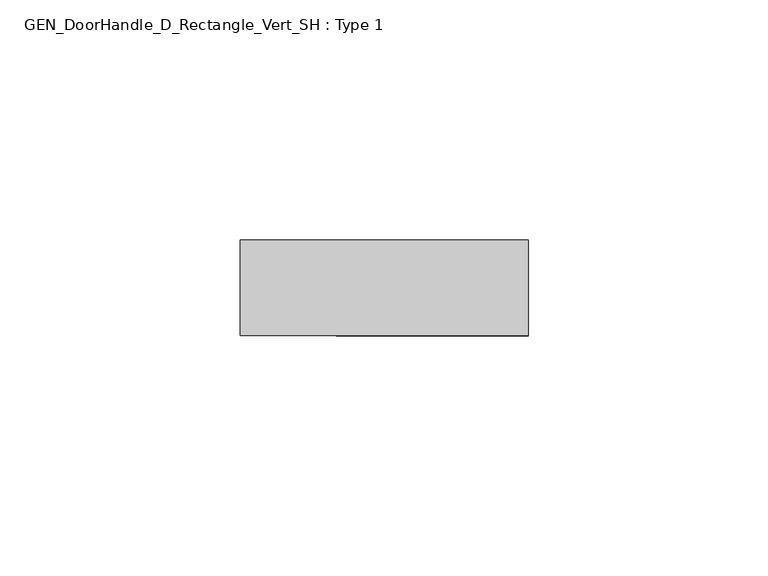
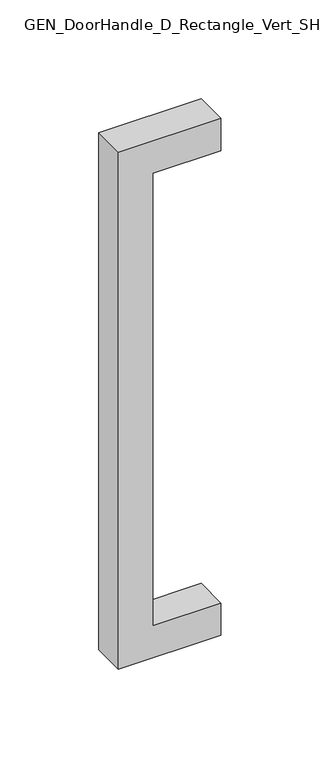
"""IFC4 building model written with IfcOpenShell, lengths in millimetres: proxy geometry, GEN_DoorHandle_D_Rectangle_Vert_SH : Type 1."""

import ifcopenshell
import ifcopenshell.guid

model = None  # the IFC model being written
_history = None  # IfcOwnerHistory: only IFC2X3 demands one
_inside = {}  # id of a spatial element -> (the spatial element, [elements in it])
_under = {}  # id of a project, library or spatial element -> (it, [spatial elements below it])
_declared = {}  # id of a project -> (the project, [libraries it declares])
_typed = {}  # id of a type object -> (the type object, [elements of that type])
_made_of = {}  # id of a material, layer set ... -> (it, [elements and type objects made of it])


def new_model(schema):
    """Start an empty IFC model of exactly this schema.

    Asked for "IFC4X3", IfcOpenShell would pick the latest addendum, in which some entities
    have other attributes; the version numbers below select the first issue.
    IFC2X3 requires an IfcOwnerHistory on every rooted entity: one is made here for all.
    """
    global model, _history
    if schema == "IFC4X3":
        model = ifcopenshell.file(schema_version=(4, 3, 0, 0))
    else:
        model = ifcopenshell.file(schema=schema)
    _inside.clear()
    _under.clear()
    _declared.clear()
    _typed.clear()
    _made_of.clear()
    _history = None
    if model.schema == "IFC2X3":
        org = make("IfcOrganization", Name="unknown")
        user = make(
            "IfcPersonAndOrganization",
            ThePerson=make("IfcPerson", FamilyName="unknown"),
            TheOrganization=org,
        )
        app = make(
            "IfcApplication",
            ApplicationDeveloper=org,
            Version="unknown",
            ApplicationFullName="unknown",
            ApplicationIdentifier="unknown",
        )
        _history = make(
            "IfcOwnerHistory",
            OwningUser=user,
            OwningApplication=app,
            ChangeAction="ADDED",
            CreationDate=0,
        )
    return model


def make(cls, **values):
    """One entity of the class cls with the attributes given. An attribute that is None is left unset."""
    return model.create_entity(
        cls, **{name: value for name, value in values.items() if value is not None}
    )


def rooted(cls, **values):
    """An entity with a GlobalId (a new one), such as an element, a storey or a relation."""
    return make(cls, GlobalId=ifcopenshell.guid.new(), OwnerHistory=_history, **values)


def si_unit(unit_type, name, prefix=None):
    """IfcSIUnit, for example si_unit("LENGTHUNIT", "METRE", prefix="MILLI")."""
    return make("IfcSIUnit", UnitType=unit_type, Prefix=prefix, Name=name)


def assignment(units):
    """IfcUnitAssignment: the units of a project."""
    return None if units is None else make("IfcUnitAssignment", Units=units)


def point(xyz):
    """IfcCartesianPoint."""
    return None if xyz is None else make("IfcCartesianPoint", Coordinates=xyz)


def direction(xyz):
    """IfcDirection."""
    return None if xyz is None else make("IfcDirection", DirectionRatios=xyz)


def frame(location, z_axis=None, x_axis=None):
    """IfcAxis2Placement3D, a coordinate frame: its origin and axes. An axis left out is left unset."""
    return make(
        "IfcAxis2Placement3D",
        Location=point(location),
        Axis=direction(z_axis),
        RefDirection=direction(x_axis),
    )


def origin():
    """The frame at (0, 0, 0) with its axes left unset."""
    return frame((0.0, 0.0, 0.0))


def place(relative_to, where):
    """IfcLocalPlacement: puts the frame where relative to a parent placement (None: the world)."""
    return make(
        "IfcLocalPlacement", PlacementRelTo=relative_to, RelativePlacement=where
    )


def context(
    kind, dimensions, precision=None, world=None, true_north=None, identifier=None
):
    """IfcGeometricRepresentationContext, for example the 3D "Model" context."""
    return make(
        "IfcGeometricRepresentationContext",
        ContextIdentifier=identifier,
        ContextType=kind,
        CoordinateSpaceDimension=dimensions,
        Precision=precision,
        WorldCoordinateSystem=world,
        TrueNorth=true_north,
    )


def project(units=None, contexts=None):
    """IfcProject with its units and contexts."""
    return rooted(
        "IfcProject",
        Name="project",
        RepresentationContexts=contexts,
        UnitsInContext=assignment(units),
    )


def spatial(cls, under=None, at=None, **own):
    """A site, building, storey or space (cls), placed at a placement, below another one or the project."""
    s = rooted(cls, ObjectPlacement=at, **own)
    if under is not None:
        _under.setdefault(under.id(), (under, []))[1].append(s)
    return s


def polyline(points):
    """IfcPolyline through the points."""
    return make("IfcPolyline", Points=[point(p) for p in points])


def outline(outer, holes=None, kind="AREA"):
    """IfcArbitraryClosedProfileDef: a profile drawn as a closed curve; with holes, ...WithVoids."""
    if holes is None:
        return make("IfcArbitraryClosedProfileDef", ProfileType=kind, OuterCurve=outer)
    return make(
        "IfcArbitraryProfileDefWithVoids",
        ProfileType=kind,
        OuterCurve=outer,
        InnerCurves=holes,
    )


def extrude(swept, where, along, depth):
    """IfcExtrudedAreaSolid: the profile swept, set in the frame where, extruded along a direction by depth."""
    return make(
        "IfcExtrudedAreaSolid",
        SweptArea=swept,
        Position=where,
        ExtrudedDirection=direction(along),
        Depth=depth,
    )


def shape(context_of_items, identifier, shape_type, items):
    """IfcShapeRepresentation: the items that make up one representation, for example the "Body"."""
    return make(
        "IfcShapeRepresentation",
        ContextOfItems=context_of_items,
        RepresentationIdentifier=identifier,
        RepresentationType=shape_type,
        Items=items,
    )


def source(mapping_origin, context_of_items, identifier, shape_type, items):
    """IfcRepresentationMap: a shape defined once, which mapped items show again and again."""
    return make(
        "IfcRepresentationMap",
        MappingOrigin=mapping_origin,
        MappedRepresentation=shape(context_of_items, identifier, shape_type, items),
    )


def transform(
    local_origin,
    x_axis=None,
    y_axis=None,
    z_axis=None,
    scale=None,
    scale2=None,
    scale3=None,
    uniform=True,
):
    """IfcCartesianTransformationOperator3D, or its non-uniform kind. x_axis, y_axis, z_axis: its Axis1, 2, 3."""
    if uniform:
        return make(
            "IfcCartesianTransformationOperator3D",
            Axis1=direction(x_axis),
            Axis2=direction(y_axis),
            LocalOrigin=point(local_origin),
            Scale=scale,
            Axis3=direction(z_axis),
        )
    return make(
        "IfcCartesianTransformationOperator3DnonUniform",
        Axis1=direction(x_axis),
        Axis2=direction(y_axis),
        LocalOrigin=point(local_origin),
        Scale=scale,
        Axis3=direction(z_axis),
        Scale2=scale2,
        Scale3=scale3,
    )


def mapped(mapping_source, mapping_target):
    """IfcMappedItem: shows the shape of a source again, moved by a transform."""
    return make(
        "IfcMappedItem", MappingSource=mapping_source, MappingTarget=mapping_target
    )


def made_of(thing, what):
    """Note that an element or type object is made of a material, layer set ...; save() writes the relation."""
    if what is not None:
        _made_of.setdefault(what.id(), (what, []))[1].append(thing)
    return thing


def element(
    cls,
    number,
    at=None,
    inside=None,
    cuts=None,
    type_object=None,
    material=None,
    context=None,
    identifier="Body",
    shape_type=None,
    held_by="IfcProductDefinitionShape",
    body=None,
    shapes=None,
    **own,
):
    """One element of the class cls, such as IfcWall. Its Tag is "e" and its number.

    at: its placement. inside: the storey or other place that contains it. cuts: it is an
    opening in that element (IfcRelVoidsElement). A single representation is given by context,
    identifier, shape_type and body (its items); several are given by shapes. held_by: the class
    of the entity that holds the representations. save() writes the other relations.
    """
    e = rooted(cls, Tag="e%d" % number, ObjectPlacement=at, **own)
    if body is not None:
        shapes = [shape(context, identifier, shape_type, body)]
    if shapes is not None:
        e.Representation = make(held_by, Representations=shapes)
    if inside is not None:
        _inside.setdefault(inside.id(), (inside, []))[1].append(e)
    if cuts is not None:
        rooted(
            "IfcRelVoidsElement", RelatingBuildingElement=cuts, RelatedOpeningElement=e
        )
    if type_object is not None:
        _typed.setdefault(type_object.id(), (type_object, []))[1].append(e)
    return made_of(e, material)


def aggregate(whole, parts):
    """IfcRelAggregates: a whole, such as a stair, and the parts it consists of."""
    return rooted("IfcRelAggregates", RelatingObject=whole, RelatedObjects=parts)


def save(model, path):
    """Write the relations noted so far, then the file.

    IfcRelAggregates (storeys below a building ...), IfcRelContainedInSpatialStructure (elements
    in a storey), IfcRelDefinesByType, IfcRelAssociatesMaterial and IfcRelDeclares: one each for
    every whole, place, type object, material and project.
    """
    for whole, parts in _under.values():
        aggregate(whole, parts)
    for where, things in _inside.values():
        rooted(
            "IfcRelContainedInSpatialStructure",
            RelatedElements=things,
            RelatingStructure=where,
        )
    for kind, things in _typed.values():
        rooted("IfcRelDefinesByType", RelatedObjects=things, RelatingType=kind)
    for what, things in _made_of.values():
        rooted("IfcRelAssociatesMaterial", RelatedObjects=things, RelatingMaterial=what)
    for by, libraries in _declared.values():
        rooted("IfcRelDeclares", RelatingContext=by, RelatedDefinitions=libraries)
    model.write(path)


def gen_doorhandle_d_rectangle_vert_sh_type_1_bc766578(model_context):
    return source(origin(), model_context, "Body", "SweptSolid", [
        extrude(outline(polyline([(-10.0, 0.0), (10.0, 0.0), (10.0, -60.0), (-310.0, -60.0), (-310.0, 0.0), (-290.0, 0.0), (-290.0, -40.0), (-10.0, -40.0), (-10.0, 0.0)])), frame((0.0, -10.0, 0.0), z_axis=(0.0, 1.0, 0.0), x_axis=(0.0, 0.0, 1.0)), (0.0, 0.0, 1.0), 20.0),
    ])


if __name__ == "__main__":
    model = new_model("IFC4")
    model_context = context("Model", 3, world=origin())
    ifc_project = project(units=[si_unit("LENGTHUNIT", "METRE", prefix="MILLI")], contexts=[model_context])
    site = spatial("IfcSite", under=ifc_project)
    building = spatial("IfcBuilding", under=site)
    placement = place(None, origin())
    gen_doorhandle_d_rectangle_vert_sh_type_1_shape = gen_doorhandle_d_rectangle_vert_sh_type_1_bc766578(model_context)
    element("IfcBuildingElementProxy", 1, Name="GEN_DoorHandle_D_Rectangle_Vert_SH : Type 1", ObjectType="GEN_DoorHandle_D_Rectangle_Vert_SH : Type 1", at=placement, inside=building, context=model_context, shape_type="MappedRepresentation", body=[
        mapped(gen_doorhandle_d_rectangle_vert_sh_type_1_shape, transform((0.0, 0.0, 0.0), x_axis=(1.0, 0.0, 0.0), y_axis=(0.0, 1.0, 0.0), z_axis=(0.0, 0.0, 1.0))),
    ])
    save(model, "model.ifc")
